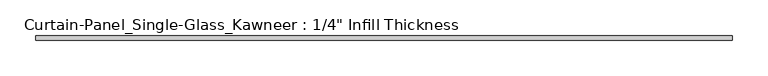
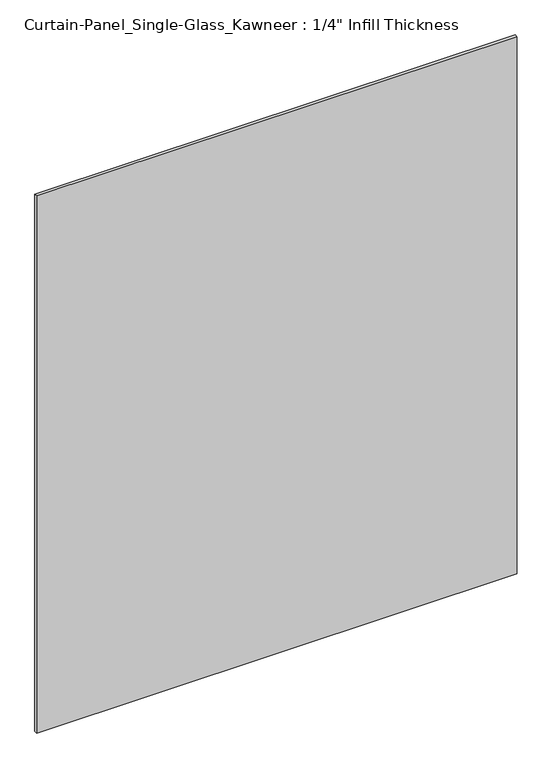
"""IFC4 building model written with IfcOpenShell, lengths in millimetres: plate geometry."""

from ifc_helpers import new_model, si_unit, origin, origin_with_axes, place, context, project, spatial, polyline, outline, extrude, source, transform, mapped, element, save


def plate_6846c9a3(model_context):
    return source(origin(), model_context, "Body", "SweptSolid", [
        extrude(outline(polyline([(488.95, -3.175), (-488.95, -3.175), (-488.95, 3.175), (488.95, 3.175), (488.95, -3.175)])), origin_with_axes(), (0.0, 0.0, 1.0), 1155.7),
    ])


if __name__ == "__main__":
    model = new_model("IFC4")
    model_context = context("Model", 3, world=origin())
    ifc_project = project(units=[si_unit("LENGTHUNIT", "METRE", prefix="MILLI")], contexts=[model_context])
    site = spatial("IfcSite", under=ifc_project)
    building = spatial("IfcBuilding", under=site)
    placement = place(None, origin())
    plate_shape = plate_6846c9a3(model_context)
    element("IfcPlate", 1, ObjectType="Curtain-Panel_Single-Glass_Kawneer : 1/4\" Infill Thickness", at=placement, inside=building, context=model_context, shape_type="MappedRepresentation", body=[
        mapped(plate_shape, transform((0.0, 0.0, 0.0), x_axis=(1.0, 0.0, 0.0), y_axis=(0.0, 1.0, 0.0), z_axis=(0.0, 0.0, 1.0))),
    ])
    save(model, "model.ifc")
